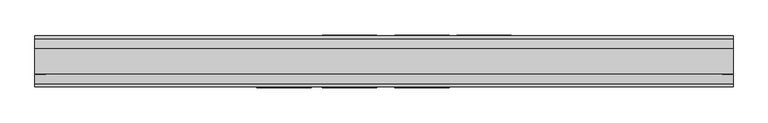
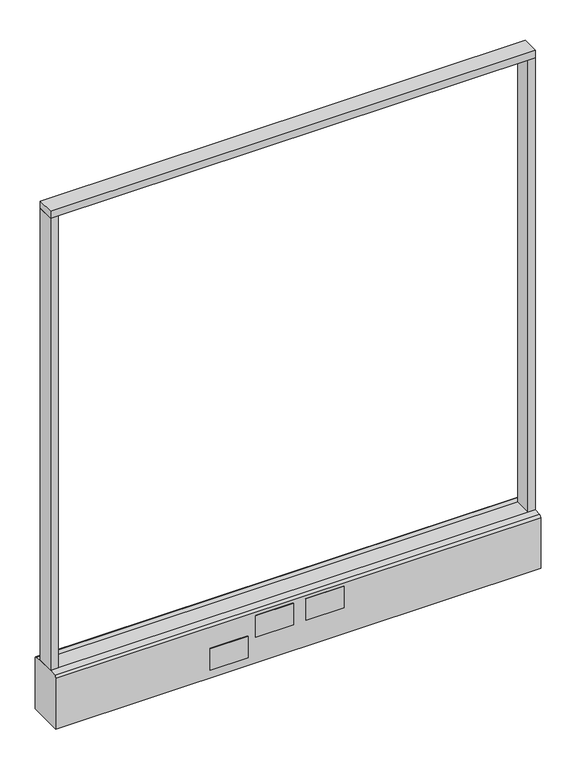
"""IFC4 building model written with IfcOpenShell, lengths in millimetres: furniture geometry."""

import ifcopenshell
import ifcopenshell.guid

model = None  # the IFC model being written
_history = None  # IfcOwnerHistory: only IFC2X3 demands one
_inside = {}  # id of a spatial element -> (the spatial element, [elements in it])
_under = {}  # id of a project, library or spatial element -> (it, [spatial elements below it])
_declared = {}  # id of a project -> (the project, [libraries it declares])
_typed = {}  # id of a type object -> (the type object, [elements of that type])
_made_of = {}  # id of a material, layer set ... -> (it, [elements and type objects made of it])


def new_model(schema):
    """Start an empty IFC model of exactly this schema.

    Asked for "IFC4X3", IfcOpenShell would pick the latest addendum, in which some entities
    have other attributes; the version numbers below select the first issue.
    IFC2X3 requires an IfcOwnerHistory on every rooted entity: one is made here for all.
    """
    global model, _history
    if schema == "IFC4X3":
        model = ifcopenshell.file(schema_version=(4, 3, 0, 0))
    else:
        model = ifcopenshell.file(schema=schema)
    _inside.clear()
    _under.clear()
    _declared.clear()
    _typed.clear()
    _made_of.clear()
    _history = None
    if model.schema == "IFC2X3":
        org = make("IfcOrganization", Name="unknown")
        user = make(
            "IfcPersonAndOrganization",
            ThePerson=make("IfcPerson", FamilyName="unknown"),
            TheOrganization=org,
        )
        app = make(
            "IfcApplication",
            ApplicationDeveloper=org,
            Version="unknown",
            ApplicationFullName="unknown",
            ApplicationIdentifier="unknown",
        )
        _history = make(
            "IfcOwnerHistory",
            OwningUser=user,
            OwningApplication=app,
            ChangeAction="ADDED",
            CreationDate=0,
        )
    return model


def make(cls, **values):
    """One entity of the class cls with the attributes given. An attribute that is None is left unset."""
    return model.create_entity(
        cls, **{name: value for name, value in values.items() if value is not None}
    )


def rooted(cls, **values):
    """An entity with a GlobalId (a new one), such as an element, a storey or a relation."""
    return make(cls, GlobalId=ifcopenshell.guid.new(), OwnerHistory=_history, **values)


def si_unit(unit_type, name, prefix=None):
    """IfcSIUnit, for example si_unit("LENGTHUNIT", "METRE", prefix="MILLI")."""
    return make("IfcSIUnit", UnitType=unit_type, Prefix=prefix, Name=name)


def assignment(units):
    """IfcUnitAssignment: the units of a project."""
    return None if units is None else make("IfcUnitAssignment", Units=units)


def point(xyz):
    """IfcCartesianPoint."""
    return None if xyz is None else make("IfcCartesianPoint", Coordinates=xyz)


def direction(xyz):
    """IfcDirection."""
    return None if xyz is None else make("IfcDirection", DirectionRatios=xyz)


def frame(location, z_axis=None, x_axis=None):
    """IfcAxis2Placement3D, a coordinate frame: its origin and axes. An axis left out is left unset."""
    return make(
        "IfcAxis2Placement3D",
        Location=point(location),
        Axis=direction(z_axis),
        RefDirection=direction(x_axis),
    )


def frame_2d(location, x_axis=None):
    """IfcAxis2Placement2D, a coordinate frame in the plane: its origin and x axis."""
    return make(
        "IfcAxis2Placement2D", Location=point(location), RefDirection=direction(x_axis)
    )


def origin():
    """The frame at (0, 0, 0) with its axes left unset."""
    return frame((0.0, 0.0, 0.0))


def origin_with_axes():
    """The frame at (0, 0, 0) with the z axis (0, 0, 1) and the x axis (1, 0, 0) written out."""
    return frame((0.0, 0.0, 0.0), z_axis=(0.0, 0.0, 1.0), x_axis=(1.0, 0.0, 0.0))


def place(relative_to, where):
    """IfcLocalPlacement: puts the frame where relative to a parent placement (None: the world)."""
    return make(
        "IfcLocalPlacement", PlacementRelTo=relative_to, RelativePlacement=where
    )


def context(
    kind, dimensions, precision=None, world=None, true_north=None, identifier=None
):
    """IfcGeometricRepresentationContext, for example the 3D "Model" context."""
    return make(
        "IfcGeometricRepresentationContext",
        ContextIdentifier=identifier,
        ContextType=kind,
        CoordinateSpaceDimension=dimensions,
        Precision=precision,
        WorldCoordinateSystem=world,
        TrueNorth=true_north,
    )


def project(units=None, contexts=None):
    """IfcProject with its units and contexts."""
    return rooted(
        "IfcProject",
        Name="project",
        RepresentationContexts=contexts,
        UnitsInContext=assignment(units),
    )


def spatial(cls, under=None, at=None, **own):
    """A site, building, storey or space (cls), placed at a placement, below another one or the project."""
    s = rooted(cls, ObjectPlacement=at, **own)
    if under is not None:
        _under.setdefault(under.id(), (under, []))[1].append(s)
    return s


def polyline(points):
    """IfcPolyline through the points."""
    return make("IfcPolyline", Points=[point(p) for p in points])


def circle_curve(where, radius):
    """IfcCircle in the frame where."""
    return make("IfcCircle", Position=where, Radius=radius)


def trimmed(basis, trim1, trim2, sense, master):
    """IfcTrimmedCurve: the piece of a basis curve between two trims."""
    return make(
        "IfcTrimmedCurve",
        BasisCurve=basis,
        Trim1=trim1,
        Trim2=trim2,
        SenseAgreement=sense,
        MasterRepresentation=master,
    )


def segment(curve, same_sense, transition):
    """IfcCompositeCurveSegment."""
    return make(
        "IfcCompositeCurveSegment",
        Transition=transition,
        SameSense=same_sense,
        ParentCurve=curve,
    )


def composite_curve(segments, self_intersect=None):
    """IfcCompositeCurve: segments joined end to end."""
    return make("IfcCompositeCurve", Segments=segments, SelfIntersect=self_intersect)


def outline(outer, holes=None, kind="AREA"):
    """IfcArbitraryClosedProfileDef: a profile drawn as a closed curve; with holes, ...WithVoids."""
    if holes is None:
        return make("IfcArbitraryClosedProfileDef", ProfileType=kind, OuterCurve=outer)
    return make(
        "IfcArbitraryProfileDefWithVoids",
        ProfileType=kind,
        OuterCurve=outer,
        InnerCurves=holes,
    )


def extrude(swept, where, along, depth):
    """IfcExtrudedAreaSolid: the profile swept, set in the frame where, extruded along a direction by depth."""
    return make(
        "IfcExtrudedAreaSolid",
        SweptArea=swept,
        Position=where,
        ExtrudedDirection=direction(along),
        Depth=depth,
    )


def shape(context_of_items, identifier, shape_type, items):
    """IfcShapeRepresentation: the items that make up one representation, for example the "Body"."""
    return make(
        "IfcShapeRepresentation",
        ContextOfItems=context_of_items,
        RepresentationIdentifier=identifier,
        RepresentationType=shape_type,
        Items=items,
    )


def source(mapping_origin, context_of_items, identifier, shape_type, items):
    """IfcRepresentationMap: a shape defined once, which mapped items show again and again."""
    return make(
        "IfcRepresentationMap",
        MappingOrigin=mapping_origin,
        MappedRepresentation=shape(context_of_items, identifier, shape_type, items),
    )


def transform(
    local_origin,
    x_axis=None,
    y_axis=None,
    z_axis=None,
    scale=None,
    scale2=None,
    scale3=None,
    uniform=True,
):
    """IfcCartesianTransformationOperator3D, or its non-uniform kind. x_axis, y_axis, z_axis: its Axis1, 2, 3."""
    if uniform:
        return make(
            "IfcCartesianTransformationOperator3D",
            Axis1=direction(x_axis),
            Axis2=direction(y_axis),
            LocalOrigin=point(local_origin),
            Scale=scale,
            Axis3=direction(z_axis),
        )
    return make(
        "IfcCartesianTransformationOperator3DnonUniform",
        Axis1=direction(x_axis),
        Axis2=direction(y_axis),
        LocalOrigin=point(local_origin),
        Scale=scale,
        Axis3=direction(z_axis),
        Scale2=scale2,
        Scale3=scale3,
    )


def mapped(mapping_source, mapping_target):
    """IfcMappedItem: shows the shape of a source again, moved by a transform."""
    return make(
        "IfcMappedItem", MappingSource=mapping_source, MappingTarget=mapping_target
    )


def made_of(thing, what):
    """Note that an element or type object is made of a material, layer set ...; save() writes the relation."""
    if what is not None:
        _made_of.setdefault(what.id(), (what, []))[1].append(thing)
    return thing


def element(
    cls,
    number,
    at=None,
    inside=None,
    cuts=None,
    type_object=None,
    material=None,
    context=None,
    identifier="Body",
    shape_type=None,
    held_by="IfcProductDefinitionShape",
    body=None,
    shapes=None,
    **own,
):
    """One element of the class cls, such as IfcWall. Its Tag is "e" and its number.

    at: its placement. inside: the storey or other place that contains it. cuts: it is an
    opening in that element (IfcRelVoidsElement). A single representation is given by context,
    identifier, shape_type and body (its items); several are given by shapes. held_by: the class
    of the entity that holds the representations. save() writes the other relations.
    """
    e = rooted(cls, Tag="e%d" % number, ObjectPlacement=at, **own)
    if body is not None:
        shapes = [shape(context, identifier, shape_type, body)]
    if shapes is not None:
        e.Representation = make(held_by, Representations=shapes)
    if inside is not None:
        _inside.setdefault(inside.id(), (inside, []))[1].append(e)
    if cuts is not None:
        rooted(
            "IfcRelVoidsElement", RelatingBuildingElement=cuts, RelatedOpeningElement=e
        )
    if type_object is not None:
        _typed.setdefault(type_object.id(), (type_object, []))[1].append(e)
    return made_of(e, material)


def aggregate(whole, parts):
    """IfcRelAggregates: a whole, such as a stair, and the parts it consists of."""
    return rooted("IfcRelAggregates", RelatingObject=whole, RelatedObjects=parts)


def save(model, path):
    """Write the relations noted so far, then the file.

    IfcRelAggregates (storeys below a building ...), IfcRelContainedInSpatialStructure (elements
    in a storey), IfcRelDefinesByType, IfcRelAssociatesMaterial and IfcRelDeclares: one each for
    every whole, place, type object, material and project.
    """
    for whole, parts in _under.values():
        aggregate(whole, parts)
    for where, things in _inside.values():
        rooted(
            "IfcRelContainedInSpatialStructure",
            RelatedElements=things,
            RelatingStructure=where,
        )
    for kind, things in _typed.values():
        rooted("IfcRelDefinesByType", RelatedObjects=things, RelatingType=kind)
    for what, things in _made_of.values():
        rooted("IfcRelAssociatesMaterial", RelatedObjects=things, RelatingMaterial=what)
    for by, libraries in _declared.values():
        rooted("IfcRelDeclares", RelatingContext=by, RelatedDefinitions=libraries)
    model.write(path)


def furniture_b01f43cf(model_context):
    return source(origin(), model_context, "Body", "SweptSolid", [
        extrude(outline(polyline([(609.6, -22.225), (-609.6, -22.225), (-609.6, 22.225), (609.6, 22.225), (609.6, -22.225)])), frame((0.0, 0.0, 1352.55), z_axis=(0.0, 0.0, 1.0), x_axis=(1.0, 0.0, 0.0)), (0.0, 0.0, 1.0), 19.05),
        extrude(outline(composite_curve([segment(trimmed(circle_curve(frame_2d((-533.4, 0.0)), 23.415625), [point((-556.815625, 0.0))], [point((-509.984375, 0.0))], False, "CARTESIAN"), True, "CONTINUOUS"), segment(trimmed(circle_curve(frame_2d((-533.4, 0.0)), 23.415625), [point((-509.984375, 0.0))], [point((-556.815625, 0.0))], False, "CARTESIAN"), True, "CONTINUOUS")], self_intersect=False)), origin_with_axes(), (0.0, 0.0, 1.0), 6.35),
        extrude(outline(composite_curve([segment(trimmed(circle_curve(frame_2d((533.4, 0.0)), 23.415625), [point((509.984375, 0.0))], [point((556.815625, 0.0))], False, "CARTESIAN"), True, "CONTINUOUS"), segment(trimmed(circle_curve(frame_2d((533.4, 0.0)), 23.415625), [point((556.815625, 0.0))], [point((509.984375, 0.0))], False, "CARTESIAN"), True, "CONTINUOUS")], self_intersect=False)), origin_with_axes(), (0.0, 0.0, 1.0), 6.35),
        extrude(outline(polyline([(-590.5500091, -22.225), (-609.6, -22.225), (-609.6, 22.225), (-590.5500091, 22.225), (-590.5500091, -22.225)])), frame((0.0, 0.0, 152.4), z_axis=(0.0, 0.0, 1.0), x_axis=(1.0, 0.0, 0.0)), (0.0, 0.0, 1.0), 1200.15),
        extrude(outline(polyline([(609.6, -22.225), (590.5500091, -22.225), (590.5500091, 22.225), (609.6, 22.225), (609.6, -22.225)])), frame((0.0, 0.0, 152.4), z_axis=(0.0, 0.0, 1.0), x_axis=(1.0, 0.0, 0.0)), (0.0, 0.0, 1.0), 1200.15),
        extrude(outline(composite_curve([segment(polyline([(-22.225, 152.4), (22.225, 152.4), (39.43219, 149.94183)]), True, "CONTINUOUS"), segment(trimmed(circle_curve(frame_2d((38.605678, 144.1562464)), 5.844322), [point((39.43219, 149.94183))], [point((44.45, 144.1562464))], False, "CARTESIAN"), True, "CONTINUOUS"), segment(polyline([(44.45, 144.1562464), (44.45, 9.525), (-44.4433083, 9.525), (-44.4433083, 144.1572033)]), True, "CONTINUOUS"), segment(trimmed(circle_curve(frame_2d((-38.5989863, 144.1572033)), 5.844322), [point((-44.4433083, 144.1572033))], [point((-39.4222979, 149.9432432))], False, "CARTESIAN"), True, "CONTINUOUS"), segment(polyline([(-39.4222979, 149.9432432), (-22.225, 152.4)]), True, "CONTINUOUS")], self_intersect=False)), frame((-609.6, 0.0, 0.0), z_axis=(1.0, 0.0, 0.0), x_axis=(0.0, 1.0, 0.0)), (0.0, 0.0, 1.0), 1219.2),
        extrude(outline(polyline([(222.25, 44.45), (127.0, 44.45), (127.0, 46.0375), (222.25, 46.0375), (222.25, 44.45)])), frame((0.0, 0.0, 31.75), z_axis=(0.0, 0.0, 1.0), x_axis=(1.0, 0.0, 0.0)), (0.0, 0.0, 1.0), 57.15),
        extrude(outline(polyline([(114.3, 44.45), (19.05, 44.45), (19.05, 46.0375), (114.3, 46.0375), (114.3, 44.45)])), frame((0.0, 0.0, 79.1718), z_axis=(0.0, 0.0, 1.0), x_axis=(1.0, 0.0, 0.0)), (0.0, 0.0, 1.0), 57.15),
        extrude(outline(polyline([(-12.7, 44.45), (-107.95, 44.45), (-107.95, 46.0375), (-12.7, 46.0375), (-12.7, 44.45)])), frame((0.0, 0.0, 79.1718), z_axis=(0.0, 0.0, 1.0), x_axis=(1.0, 0.0, 0.0)), (0.0, 0.0, 1.0), 57.15),
        extrude(outline(polyline([(-127.0, -46.0375), (-222.25, -46.0375), (-222.25, -44.45), (-127.0, -44.45), (-127.0, -46.0375)])), frame((0.0, 0.0, 31.75), z_axis=(0.0, 0.0, 1.0), x_axis=(1.0, 0.0, 0.0)), (0.0, 0.0, 1.0), 57.15),
        extrude(outline(polyline([(114.3, -46.0375), (19.05, -46.0375), (19.05, -44.45), (114.3, -44.45), (114.3, -46.0375)])), frame((0.0, 0.0, 79.1718), z_axis=(0.0, 0.0, 1.0), x_axis=(1.0, 0.0, 0.0)), (0.0, 0.0, 1.0), 57.15),
        extrude(outline(polyline([(-12.7, -46.0375), (-107.95, -46.0375), (-107.95, -44.45), (-12.7, -44.45), (-12.7, -46.0375)])), frame((0.0, 0.0, 79.1718), z_axis=(0.0, 0.0, 1.0), x_axis=(1.0, 0.0, 0.0)), (0.0, 0.0, 1.0), 57.15),
        extrude(outline(composite_curve([segment(trimmed(circle_curve(frame_2d((-533.4, 0.0)), 5.55625), [point((-538.95625, 0.0))], [point((-527.84375, 0.0))], False, "CARTESIAN"), True, "CONTINUOUS"), segment(trimmed(circle_curve(frame_2d((-533.4, 0.0)), 5.55625), [point((-527.84375, 0.0))], [point((-538.95625, 0.0))], False, "CARTESIAN"), True, "CONTINUOUS")], self_intersect=False)), frame((0.0, 0.0, 6.35), z_axis=(0.0, 0.0, 1.0), x_axis=(1.0, 0.0, 0.0)), (0.0, 0.0, 1.0), 3.175),
        extrude(outline(composite_curve([segment(trimmed(circle_curve(frame_2d((533.4, 0.0)), 5.55625), [point((527.84375, 0.0))], [point((538.95625, 0.0))], False, "CARTESIAN"), True, "CONTINUOUS"), segment(trimmed(circle_curve(frame_2d((533.4, 0.0)), 5.55625), [point((538.95625, 0.0))], [point((527.84375, 0.0))], False, "CARTESIAN"), True, "CONTINUOUS")], self_intersect=False)), frame((0.0, 0.0, 6.35), z_axis=(0.0, 0.0, 1.0), x_axis=(1.0, 0.0, 0.0)), (0.0, 0.0, 1.0), 3.175),
    ])


if __name__ == "__main__":
    model = new_model("IFC4")
    model_context = context("Model", 3, world=origin())
    ifc_project = project(units=[si_unit("LENGTHUNIT", "METRE", prefix="MILLI")], contexts=[model_context])
    site = spatial("IfcSite", under=ifc_project)
    building = spatial("IfcBuilding", under=site)
    placement = place(None, origin())
    furniture_shape = furniture_b01f43cf(model_context)
    element("IfcFurniture", 1, at=placement, inside=building, context=model_context, shape_type="MappedRepresentation", body=[
        mapped(furniture_shape, transform((0.0, 0.0, 0.0), x_axis=(1.0, 0.0, 0.0), y_axis=(0.0, 1.0, 0.0), z_axis=(0.0, 0.0, 1.0))),
    ])
    save(model, "model.ifc")
